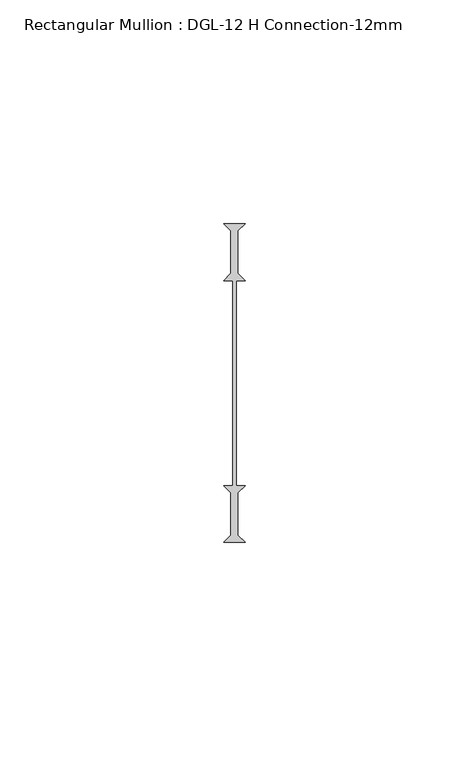
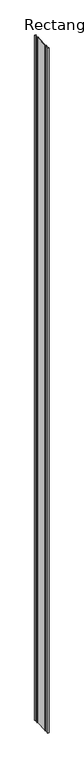
"""IFC4 building model written with IfcOpenShell, lengths in millimetres: member geometry, Rectangular Mullion : DGL-12 H Connection-12mm."""

from ifc_helpers import new_model, si_unit, frame, origin, place, context, project, spatial, polyline, outline, extrude, source, transform, mapped, element, save


def rectangular_mullion_dgl_12_h_connection_12mm_417f40c8(model_context):
    return source(origin(), model_context, "Body", "SweptSolid", [
        extrude(outline(polyline([(-2.38125, -34.9244785), (-0.79375, -33.3369785), (-0.79375, -23.8119785), (-2.38125, -22.2244785), (-0.396875, -22.2244785), (-0.396875, 23.6145417), (-2.38125, 23.6145417), (-0.79375, 25.2020417), (-0.79375, 34.7270417), (-2.38125, 36.3145417), (2.38125, 36.3145417), (0.79375, 34.7270417), (0.79375, 25.2020417), (2.38125, 23.6145417), (0.396875, 23.6145417), (0.396875, -22.2244785), (2.38125, -22.2244785), (0.79375, -23.8119785), (0.79375, -33.3369785), (2.38125, -34.9244785), (-2.38125, -34.9244785)])), frame((0.0, 0.0, -2339.4648576), z_axis=(0.0, 0.0, 1.0), x_axis=(1.0, 0.0, 0.0)), (0.0, 0.0, 1.0), 2339.4648576),
    ])


if __name__ == "__main__":
    model = new_model("IFC4")
    model_context = context("Model", 3, world=origin())
    ifc_project = project(units=[si_unit("LENGTHUNIT", "METRE", prefix="MILLI")], contexts=[model_context])
    site = spatial("IfcSite", under=ifc_project)
    building = spatial("IfcBuilding", under=site)
    placement = place(None, origin())
    rectangular_mullion_dgl_12_h_connection_12mm_shape = rectangular_mullion_dgl_12_h_connection_12mm_417f40c8(model_context)
    element("IfcMember", 1, ObjectType="Rectangular Mullion : DGL-12 H Connection-12mm", at=placement, inside=building, context=model_context, shape_type="MappedRepresentation", body=[
        mapped(rectangular_mullion_dgl_12_h_connection_12mm_shape, transform((0.0, 0.0, 0.0), x_axis=(1.0, 0.0, 0.0), y_axis=(0.0, 1.0, 0.0), z_axis=(0.0, 0.0, 1.0))),
    ])
    save(model, "model.ifc")
